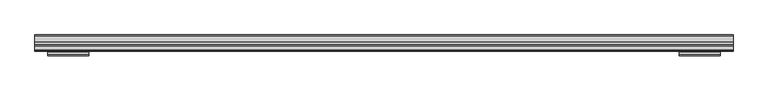
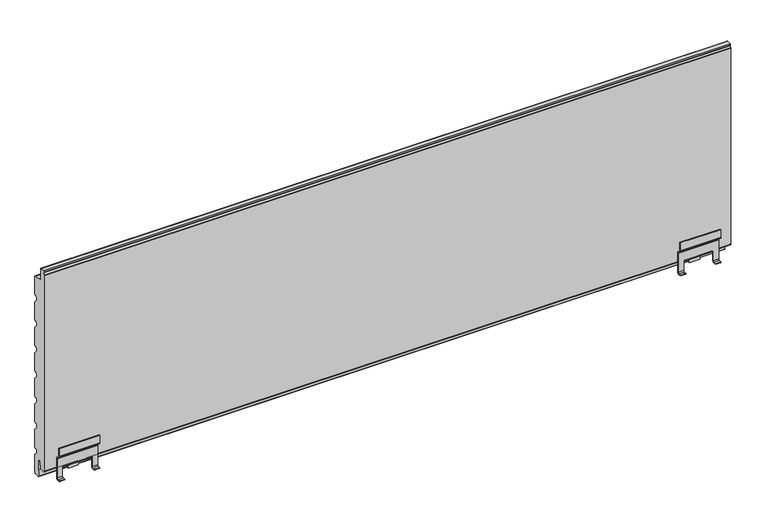
"""IFC4 building model written with IfcOpenShell, lengths in millimetres: plate geometry."""

from ifc_helpers import new_model, si_unit, point, frame, frame_2d, origin, place, context, project, spatial, polyline, circle_curve, trimmed, segment, composite_curve, outline, extrude, source, transform, mapped, element, save
from ifc_brep_helpers import plane_surface, cylinder_surface, revolved_surface, advanced_brep


def plate_32ede88d(model_context):
    return source(origin(), model_context, "Body", "SolidModel", [
        advanced_brep(
        [(614.0, 133.5, 63.0774925), (614.0, 132.0, 63.0774925), (614.0, 132.0, 48.0759196), (614.0, 133.0251263, 45.6010459), (614.0, 137.9142136, 40.7119586), (614.0, 138.5, 39.2977451), (614.0, 138.5, 1.7962326), (614.0, 136.5, -0.2037674), (614.0, 132.0000052, -0.2037674), (614.0, 132.0000052, -1.7037674), (614.0, 136.5, -1.7037674), (614.0, 140.0, 1.7962326), (614.0, 140.0, 39.2977451), (614.0, 138.9748737, 41.7726188), (614.0, 134.0857864, 46.6617061), (614.0, 133.5, 48.0759196), (538.9999948, 133.5, 63.0774925), (538.9999948, 133.5, 48.0759196), (538.9999948, 134.0857864, 46.6617061), (538.9999948, 138.9748737, 41.7726188), (538.9999948, 140.0, 39.2977451), (538.9999948, 140.0, 1.7962326), (538.9999948, 136.5, -1.7037674), (538.9999948, 132.0000052, -1.7037674), (538.9999948, 132.0000052, -0.2037674), (538.9999948, 136.5, -0.2037674), (538.9999948, 138.5, 1.7962326), (538.9999948, 138.5, 39.2977451), (538.9999948, 137.9142136, 40.7119586), (538.9999948, 133.0251263, 45.6010459), (538.9999948, 132.0, 48.0759196), (538.9999948, 132.0, 63.0774925), (548.9999948, 138.5, 1.7962326), (548.9999948, 138.5, 21.4957532), (550.4999948, 138.5, 21.4957532), (602.4999948, 138.5, 21.5007983), (603.9999948, 138.5, 21.4957532), (603.9999948, 138.5, 1.7962326), (603.9999948, 136.5, -0.2037674), (548.9999948, 136.5, -0.2037674), (603.9999948, 132.0000052, -0.2037674), (548.9999948, 132.0000052, -0.2037674), (603.9999948, 132.0000052, -1.7037674), (548.9999948, 132.0000052, -1.7037674), (603.9999948, 136.5, -1.7037674), (548.9999948, 136.5, -1.7037674), (603.9999948, 140.0, 1.7962326), (548.9999948, 140.0, 1.7962326), (603.9999948, 140.0, 21.4957532), (602.4999948, 140.0, 21.4957532), (550.4999948, 140.0, 21.5007983), (548.9999948, 140.0, 21.4957532), (602.4999948, 142.0, 19.5007983), (602.4999948, 139.9736841, 18.6470212), (602.4999948, 142.0, 18.0007983), (602.4999948, 150.5069508, 18.0007983), (602.4999948, 152.2536916, 18.4678301), (602.4999948, 153.9952504, 21.1957532), (602.4999948, 155.2506896, 31.8246532), (602.4999948, 153.7617614, 32.0007983), (602.4999948, 152.4938373, 21.2661979), (602.4999948, 150.5076443, 19.5007983), (550.4999948, 142.0, 19.5007983), (550.4999948, 150.5076443, 19.5007983), (550.4999948, 152.4938373, 21.2661979), (550.4999948, 153.7617614, 32.0007983), (550.4999948, 155.2506896, 31.8246532), (550.4999948, 153.9952504, 21.1957532), (550.4999948, 152.2536916, 18.4678301), (550.4999948, 150.5069508, 18.0007983), (550.4999948, 147.9501547, 18.0007983), (550.4999948, 142.0, 18.0007983), (550.4999948, 140.0, 18.628517), (566.9999948, 150.5069508, 18.0007983), (585.9999948, 150.5069508, 18.0007983), (566.9999948, 152.2536916, 18.4678301), (585.9999948, 152.2536916, 18.4678301), (585.9999948, 151.2000052, 3.0007983), (566.9999948, 151.2000052, 3.0007983), (585.9999948, 152.6965553, 2.8991234), (566.9999948, 152.6965553, 2.8991234), (585.9999948, 153.9952504, 21.1957532), (566.9999948, 153.9952504, 21.1957532), (566.9999948, 155.2506896, 31.8246532), (585.9999948, 155.2506896, 31.8246532)],
        [
            (0, 1),
            (1, 2),
            (2, 3, circle_curve(frame((614.0, 135.5, 48.0759196), z_axis=(1.0, 0.0, 0.0), x_axis=(0.0, 1.0, 0.0)), 3.5)),
            (3, 4),
            (4, 5, circle_curve(frame((614.0, 136.5, 39.2977451), z_axis=(-1.0, 0.0, 0.0), x_axis=(0.0, 1.0, 0.0)), 2.0)),
            (5, 6),
            (6, 7, circle_curve(frame((614.0, 136.5, 1.7962326), z_axis=(-1.0, 0.0, 0.0), x_axis=(0.0, 1.0, 0.0)), 2.0)),
            (7, 8),
            (8, 9),
            (9, 10),
            (10, 11, circle_curve(frame((614.0, 136.5, 1.7962326), z_axis=(1.0, 0.0, 0.0), x_axis=(0.0, 1.0, 0.0)), 3.5)),
            (11, 12),
            (12, 13, circle_curve(frame((614.0, 136.5, 39.2977451), z_axis=(1.0, 0.0, 0.0), x_axis=(0.0, 1.0, 0.0)), 3.5)),
            (13, 14),
            (14, 15, circle_curve(frame((614.0, 135.5, 48.0759196), z_axis=(-1.0, 0.0, 0.0), x_axis=(0.0, 1.0, 0.0)), 2.0)),
            (15, 0),
            (16, 17),
            (17, 18, circle_curve(frame((538.9999948, 135.5, 48.0759196), z_axis=(1.0, 0.0, 0.0), x_axis=(0.0, 1.0, 0.0)), 2.0)),
            (18, 19),
            (19, 20, circle_curve(frame((538.9999948, 136.5, 39.2977451), z_axis=(-1.0, 0.0, 0.0), x_axis=(0.0, 1.0, 0.0)), 3.5)),
            (20, 21),
            (21, 22, circle_curve(frame((538.9999948, 136.5, 1.7962326), z_axis=(-1.0, 0.0, 0.0), x_axis=(0.0, 1.0, 0.0)), 3.5)),
            (22, 23),
            (23, 24),
            (24, 25),
            (25, 26, circle_curve(frame((538.9999948, 136.5, 1.7962326), z_axis=(1.0, 0.0, 0.0), x_axis=(0.0, 1.0, 0.0)), 2.0)),
            (26, 27),
            (27, 28, circle_curve(frame((538.9999948, 136.5, 39.2977451), z_axis=(1.0, 0.0, 0.0), x_axis=(0.0, 1.0, 0.0)), 2.0)),
            (28, 29),
            (29, 30, circle_curve(frame((538.9999948, 135.5, 48.0759196), z_axis=(-1.0, 0.0, 0.0), x_axis=(0.0, 1.0, 0.0)), 3.5)),
            (30, 31),
            (31, 16),
            (0, 16),
            (31, 1),
            (30, 2),
            (29, 3),
            (28, 4),
            (27, 5),
            (26, 32),
            (32, 33),
            (33, 34),
            (34, 35),
            (35, 36),
            (36, 37),
            (37, 6),
            (37, 38, circle_curve(frame((603.9999948, 136.5, 1.7962326), z_axis=(-1.0, 0.0, 0.0), x_axis=(0.0, 1.0, 0.0)), 2.0)),
            (38, 7),
            (25, 39),
            (39, 32, circle_curve(frame((548.9999948, 136.5, 1.7962326), z_axis=(1.0, 0.0, 0.0), x_axis=(0.0, 1.0, 0.0)), 2.0)),
            (38, 40),
            (40, 8),
            (24, 41),
            (41, 39),
            (40, 42),
            (42, 9),
            (23, 43),
            (43, 41),
            (42, 44),
            (44, 10),
            (22, 45),
            (45, 43),
            (44, 46, circle_curve(frame((603.9999948, 136.5, 1.7962326), z_axis=(1.0, 0.0, 0.0), x_axis=(0.0, 1.0, 0.0)), 3.5)),
            (46, 11),
            (21, 47),
            (47, 45, circle_curve(frame((548.9999948, 136.5, 1.7962326), z_axis=(-1.0, 0.0, 0.0), x_axis=(0.0, 1.0, 0.0)), 3.5)),
            (46, 48),
            (48, 49),
            (49, 50),
            (50, 51),
            (51, 47),
            (20, 12),
            (19, 13),
            (18, 14),
            (17, 15),
            (36, 48),
            (51, 33),
            (35, 49),
            (50, 34),
            (52, 49, circle_curve(frame((602.4999948, 142.0, 21.5007983), z_axis=(-1.0, 0.0, 0.0), x_axis=(0.0, 1.0, 0.0)), 2.0)),
            (35, 53, circle_curve(frame((602.4999948, 142.0, 21.5007983), z_axis=(1.0, 0.0, 0.0), x_axis=(0.0, 1.0, 0.0)), 3.5)),
            (53, 54, circle_curve(frame((602.4999948, 142.0, 21.5007983), z_axis=(1.0, 0.0, 0.0), x_axis=(0.0, 1.0, 0.0)), 3.5)),
            (54, 55),
            (55, 56, circle_curve(frame((602.4999948, 150.5069508, 21.5007983), z_axis=(1.0, 0.0, 0.0), x_axis=(0.0, 1.0, 0.0)), 3.5)),
            (56, 57, circle_curve(frame((602.4999948, 150.502195, 21.5059032), z_axis=(1.0, 0.0, 0.0), x_axis=(0.0, 1.0, 0.0)), 3.5067975)),
            (57, 58),
            (58, 59),
            (59, 60),
            (60, 61, circle_curve(frame((602.4999948, 150.5076443, 21.5007983), z_axis=(-1.0, 0.0, 0.0), x_axis=(0.0, 1.0, 0.0)), 2.0)),
            (61, 52),
            (62, 63),
            (63, 64, circle_curve(frame((550.4999948, 150.5076443, 21.5007983), z_axis=(1.0, 0.0, 0.0), x_axis=(0.0, 1.0, 0.0)), 2.0)),
            (64, 65),
            (65, 66),
            (66, 67),
            (67, 68, circle_curve(frame((550.4999948, 150.502195, 21.5059032), z_axis=(-1.0, 0.0, 0.0), x_axis=(0.0, 1.0, 0.0)), 3.5067975)),
            (68, 69, circle_curve(frame((550.4999948, 150.5069508, 21.5007983), z_axis=(-1.0, 0.0, 0.0), x_axis=(0.0, 1.0, 0.0)), 3.5)),
            (69, 70),
            (70, 71),
            (71, 72, circle_curve(frame((550.4999948, 142.0, 21.5007983), z_axis=(-1.0, 0.0, 0.0), x_axis=(0.0, 1.0, 0.0)), 3.5)),
            (72, 34, circle_curve(frame((550.4999948, 142.0, 21.5007983), z_axis=(-1.0, 0.0, 0.0), x_axis=(0.0, 1.0, 0.0)), 3.5)),
            (50, 62, circle_curve(frame((550.4999948, 142.0, 21.5007983), z_axis=(1.0, 0.0, 0.0), x_axis=(0.0, 1.0, 0.0)), 2.0)),
            (52, 62),
            (72, 53),
            (71, 54),
            (69, 73),
            (73, 74),
            (74, 55),
            (68, 75),
            (75, 76),
            (76, 56),
            (77, 76),
            (75, 78),
            (78, 77),
            (79, 77),
            (78, 80),
            (80, 79),
            (81, 79),
            (80, 82),
            (82, 81),
            (57, 81),
            (82, 67),
            (66, 83),
            (83, 84),
            (84, 58),
            (65, 59),
            (64, 60),
            (63, 61),
            (81, 76, circle_curve(frame((585.9999948, 150.502195, 21.5059032), z_axis=(-1.0, 0.0, 0.0), x_axis=(0.0, 1.0, 0.0)), 3.5067975)),
            (75, 82, circle_curve(frame((566.9999948, 150.502195, 21.5059032), z_axis=(1.0, 0.0, 0.0), x_axis=(0.0, 1.0, 0.0)), 3.5067975)),
        ],
        [
            plane_surface(frame((614.0, 132.0, 63.7916669), z_axis=(1.0, 0.0, 0.0), x_axis=(0.0, 1.0, 0.0))),
            plane_surface(frame((538.9999948, 132.0, 63.7916669), z_axis=(-1.0, 0.0, 0.0), x_axis=(0.0, 1.0, 0.0))),
            plane_surface(frame((614.0, 133.5, 63.0774925), z_axis=(0.0, 0.0, 1.0), x_axis=(-1.0, 0.0, 0.0))),
            plane_surface(frame((614.0, 132.0, 63.0774925), z_axis=(0.0, -1.0, 0.0), x_axis=(-1.0, 0.0, 0.0))),
            cylinder_surface(frame((614.0, 135.5, 48.0759196), z_axis=(1.0, 0.0, 0.0), x_axis=(0.0, 1.0, 0.0)), 3.5),
            plane_surface(frame((614.0, 133.0251263, 45.6010459), z_axis=(0.0, -0.7071067811823375, -0.7071067811907575), x_axis=(-1.0, 0.0, 0.0))),
            revolved_surface(polyline([(538.9999948, 138.5, 39.2977451), (614.0, 138.5, 39.2977451)]), (614.0, 136.5, 39.2977451), (-1.0, 0.0, 0.0)),
            plane_surface(frame((614.0, 138.5, 39.2977451), z_axis=(0.0, -1.0, 0.0), x_axis=(-1.0, 0.0, 0.0))),
            revolved_surface(polyline([(603.9999948, 138.5, 1.7962326), (614.0, 138.5, 1.7962326)]), (614.0, 136.5, 1.7962326), (-1.0, 0.0, 0.0)),
            revolved_surface(polyline([(538.9999948, 138.5, 1.7962326), (548.9999948, 138.5, 1.7962326)]), (614.0, 136.5, 1.7962326), (-1.0, 0.0, 0.0)),
            plane_surface(frame((614.0, 136.5, -0.2037674), z_axis=(0.0, 0.0, 1.0), x_axis=(-1.0, 0.0, 0.0))),
            plane_surface(frame((614.0, 132.0000052, -0.2037674), z_axis=(0.0, -1.0, 0.0), x_axis=(-1.0, 0.0, 0.0))),
            plane_surface(frame((614.0, 132.0000052, -1.7037674), z_axis=(0.0, 0.0, -1.0), x_axis=(-1.0, 0.0, 0.0))),
            cylinder_surface(frame((614.0, 136.5, 1.7962326), z_axis=(1.0, 0.0, 0.0), x_axis=(0.0, 1.0, 0.0)), 3.5),
            plane_surface(frame((614.0, 140.0, 1.7962326), z_axis=(0.0, 1.0, 0.0), x_axis=(-1.0, 0.0, 0.0))),
            cylinder_surface(frame((614.0, 136.5, 39.2977451), z_axis=(1.0, 0.0, 0.0), x_axis=(0.0, 1.0, 0.0)), 3.5),
            plane_surface(frame((614.0, 138.9748737, 41.7726188), z_axis=(0.0, 0.707106781190757, 0.707106781182338), x_axis=(-1.0, 0.0, 0.0))),
            revolved_surface(polyline([(538.9999948, 137.5, 48.0759196), (614.0, 137.5, 48.0759196)]), (614.0, 135.5, 48.0759196), (-1.0, 0.0, 0.0)),
            plane_surface(frame((614.0, 133.5, 48.0759196), z_axis=(0.0, 1.0, 0.0), x_axis=(-1.0, 0.0, 0.0))),
            plane_surface(frame((603.9999948, 140.0, 21.4957532), z_axis=(-1.0, 0.0, 0.0), x_axis=(0.0, -1.0, 0.0))),
            plane_surface(frame((548.9999948, 140.0, -2.7083331), z_axis=(1.0, 0.0, 0.0), x_axis=(0.0, -1.0, 0.0))),
            plane_surface(frame((548.9999948, 140.0, 21.4957532), z_axis=(0.0, 0.0, -1.0), x_axis=(0.0, -1.0, 0.0))),
            plane_surface(frame((602.4999948, 132.0, 32.4962326), z_axis=(1.0, 0.0, 0.0), x_axis=(0.0, 1.0, 0.0))),
            plane_surface(frame((550.4999948, 132.0, 32.4962326), z_axis=(-1.0, 0.0, 0.0), x_axis=(0.0, 1.0, 0.0))),
            revolved_surface(polyline([(550.4999948, 144.0, 21.5007983), (602.4999948, 144.0, 21.5007983)]), (602.4999948, 142.0, 21.5007983), (-1.0, 0.0, 0.0)),
            cylinder_surface(frame((602.4999948, 142.0, 21.5007983), z_axis=(1.0, 0.0, 0.0), x_axis=(0.0, 1.0, 0.0)), 3.5),
            plane_surface(frame((602.4999948, 142.0, 18.0007983), z_axis=(0.0, 0.0, -1.0), x_axis=(-1.0, 0.0, 0.0))),
            cylinder_surface(frame((602.4999948, 150.5069508, 21.5007983), z_axis=(1.0, 0.0, 0.0), x_axis=(0.0, 1.0, 0.0)), 3.5),
            plane_surface(frame((602.4999948, 152.2536916, 18.4678301), z_axis=(0.0, -0.9976875606869263, 0.06796713360566971), x_axis=(-1.0, 0.0, 0.0))),
            plane_surface(frame((602.4999948, 151.2000052, 3.0007983), z_axis=(0.0, -0.06778329456574599, -0.9977000676444867), x_axis=(-1.0, 0.0, 0.0))),
            plane_surface(frame((602.4999948, 152.6965553, 2.8991234), z_axis=(0.0, 0.9974903975436773, -0.07080188421332127), x_axis=(-1.0, 0.0, 0.0))),
            plane_surface(frame((602.4999948, 154.500471, 25.4730922), z_axis=(0.0, 0.9930964999268389, -0.11730022094208546), x_axis=(-1.0, 0.0, 0.0))),
            plane_surface(frame((602.4999948, 155.2506896, 31.8246532), z_axis=(0.0, 0.11748400802588121, 0.9930747745553579), x_axis=(-1.0, 0.0, 0.0))),
            plane_surface(frame((602.4999948, 153.7617614, 32.0007983), z_axis=(0.0, -0.9930964999255651, 0.1173002209528698), x_axis=(-1.0, 0.0, 0.0))),
            revolved_surface(polyline([(550.4999948, 152.5076443, 21.5007983), (602.4999948, 152.5076443, 21.5007983)]), (602.4999948, 150.5076443, 21.5007983), (-1.0, 0.0, 0.0)),
            plane_surface(frame((602.4999948, 150.5076443, 19.5007983), z_axis=(0.0, 0.0, 1.0), x_axis=(-1.0, 0.0, 0.0))),
            plane_surface(frame((585.9999948, 154.0089925, 21.5059032), z_axis=(1.0, 0.0, 0.0), x_axis=(0.0, 0.0, 1.0))),
            cylinder_surface(frame((602.4999948, 150.502195, 21.5059032), z_axis=(1.0, 0.0, 0.0), x_axis=(0.0, 1.0, 0.0)), 3.5067975),
            plane_surface(frame((566.9999948, 154.0089925, 21.5059032), z_axis=(-1.0, 0.0, 0.0), x_axis=(0.0, 0.0, -1.0))),
            cylinder_surface(frame((566.9999948, 150.502195, 21.5059032), z_axis=(1.0, 0.0, 0.0), x_axis=(0.0, 1.0, 0.0)), 3.5067975),
        ],
        [
            (0, [[1, 2, 3, 4, 5, 6, 7, 8, 9, 10, 11, 12, 13, 14, 15, 16]]),
            (1, [[17, 18, 19, 20, 21, 22, 23, 24, 25, 26, 27, 28, 29, 30, 31, 32]]),
            (2, [[-1, 33, -32, 34]]),
            (3, [[-2, -34, -31, 35]]),
            (4, [[-3, -35, -30, 36]]),
            (5, [[-4, -36, -29, 37]]),
            (6, [[-5, -37, -28, 38]]),
            (7, [[-6, -38, -27, 39, 40, 41, 42, 43, 44, 45]]),
            (8, [[-7, -45, 46, 47]]),
            (9, [[-26, 48, 49, -39]]),
            (10, [[-8, -47, 50, 51]]),
            (10, [[-25, 52, 53, -48]]),
            (11, [[-9, -51, 54, 55]]),
            (11, [[-24, 56, 57, -52]]),
            (12, [[-10, -55, 58, 59]]),
            (12, [[-23, 60, 61, -56]]),
            (13, [[-11, -59, 62, 63]]),
            (13, [[-22, 64, 65, -60]]),
            (14, [[-12, -63, 66, 67, 68, 69, 70, -64, -21, 71]]),
            (15, [[-13, -71, -20, 72]]),
            (16, [[-14, -72, -19, 73]]),
            (17, [[-15, -73, -18, 74]]),
            (18, [[-16, -74, -17, -33]]),
            (19, [[75, -66, -62, -58, -54, -50, -46, -44]]),
            (20, [[76, -40, -49, -53, -57, -61, -65, -70]]),
            (21, [[-75, -43, 77, -67]]),
            (21, [[-76, -69, 78, -41]]),
            (22, [[79, -77, 80, 81, 82, 83, 84, 85, 86, 87, 88, 89]]),
            (23, [[90, 91, 92, 93, 94, 95, 96, 97, 98, 99, 100, -78, 101]]),
            (24, [[-79, 102, -101, -68]]),
            (25, [[-80, -42, -100, 103]]),
            (25, [[-81, -103, -99, 104]]),
            (26, [[-82, -104, -98, -97, 105, 106, 107]]),
            (27, [[-83, -107, -106, -105, -96, 108, 109, 110]]),
            (28, [[111, -109, 112, 113]]),
            (29, [[114, -113, 115, 116]]),
            (30, [[117, -116, 118, 119]]),
            (31, [[-85, 120, -119, 121, -94, 122, 123, 124]]),
            (32, [[-86, -124, -123, -122, -93, 125]]),
            (33, [[-87, -125, -92, 126]]),
            (34, [[-88, -126, -91, 127]]),
            (35, [[-89, -127, -90, -102]]),
            (36, [[128, -111, -114, -117]]),
            (37, [[-128, -120, -84, -110]]),
            (38, [[129, -118, -115, -112]]),
            (39, [[-129, -108, -95, -121]]),
        ],
    ),
        advanced_brep(
        [(-614.0, 133.5, 63.0774925), (-614.0, 133.5, 48.0759196), (-614.0, 134.0857864, 46.6617061), (-614.0, 138.9748737, 41.7726188), (-614.0, 140.0, 39.2977451), (-614.0, 140.0, 1.7962326), (-614.0, 136.5, -1.7037674), (-614.0, 132.0000052, -1.7037674), (-614.0, 132.0000052, -0.2037674), (-614.0, 136.5, -0.2037674), (-614.0, 138.5, 1.7962326), (-614.0, 138.5, 39.2977451), (-614.0, 137.9142136, 40.7119586), (-614.0, 133.0251263, 45.6010459), (-614.0, 132.0, 48.0759196), (-614.0, 132.0, 63.0774925), (-538.9999948, 133.5, 63.0774925), (-538.9999948, 132.0, 63.0774925), (-538.9999948, 132.0, 48.0759196), (-538.9999948, 133.0251263, 45.6010459), (-538.9999948, 137.9142136, 40.7119586), (-538.9999948, 138.5, 39.2977451), (-538.9999948, 138.5, 1.7962326), (-538.9999948, 136.5, -0.2037674), (-538.9999948, 132.0000052, -0.2037674), (-538.9999948, 132.0000052, -1.7037674), (-538.9999948, 136.5, -1.7037674), (-538.9999948, 140.0, 1.7962326), (-538.9999948, 140.0, 39.2977451), (-538.9999948, 138.9748737, 41.7726188), (-538.9999948, 134.0857864, 46.6617061), (-538.9999948, 133.5, 48.0759196), (-603.9999948, 138.5, 1.7962326), (-603.9999948, 138.5, 21.4957532), (-602.4999948, 138.5, 21.4957532), (-550.4999948, 138.5, 21.5007983), (-548.9999948, 138.5, 21.4957532), (-548.9999948, 138.5, 1.7962326), (-548.9999948, 136.5, -0.2037674), (-603.9999948, 136.5, -0.2037674), (-548.9999948, 132.0000052, -0.2037674), (-603.9999948, 132.0000052, -0.2037674), (-548.9999948, 132.0000052, -1.7037674), (-603.9999948, 132.0000052, -1.7037674), (-548.9999948, 136.5, -1.7037674), (-603.9999948, 136.5, -1.7037674), (-548.9999948, 140.0, 1.7962326), (-603.9999948, 140.0, 1.7962326), (-548.9999948, 140.0, 21.4957532), (-550.4999948, 140.0, 21.4957532), (-602.4999948, 140.0, 21.5007983), (-603.9999948, 140.0, 21.4957532), (-602.4999948, 142.0, 19.5007983), (-602.4999948, 150.5076443, 19.5007983), (-602.4999948, 152.4938373, 21.2661979), (-602.4999948, 153.7617614, 32.0007983), (-602.4999948, 155.2506896, 31.8246532), (-602.4999948, 153.9952504, 21.1957532), (-602.4999948, 152.2536916, 18.4678301), (-602.4999948, 150.5069508, 18.0007983), (-602.4999948, 142.0, 18.0007983), (-602.4999948, 140.0, 18.628517), (-550.4999948, 142.0, 19.5007983), (-550.4999948, 139.9736841, 18.6470212), (-550.4999948, 142.0, 18.0007983), (-550.4999948, 147.9501547, 18.0007983), (-550.4999948, 150.5069508, 18.0007983), (-550.4999948, 152.2536916, 18.4678301), (-550.4999948, 153.9952504, 21.1957532), (-550.4999948, 155.2506896, 31.8246532), (-550.4999948, 153.7617614, 32.0007983), (-550.4999948, 152.4938373, 21.2661979), (-550.4999948, 150.5076443, 19.5007983), (-585.9999948, 150.5069508, 18.0007983), (-566.9999948, 150.5069508, 18.0007983), (-585.9999948, 152.2536916, 18.4678301), (-566.9999948, 152.2536916, 18.4678301), (-585.9999948, 151.2000052, 3.0007983), (-566.9999948, 151.2000052, 3.0007983), (-585.9999948, 152.6965553, 2.8991234), (-566.9999948, 152.6965553, 2.8991234), (-585.9999948, 153.9952504, 21.1957532), (-566.9999948, 153.9952504, 21.1957532), (-585.9999948, 155.2506896, 31.8246532), (-566.9999948, 155.2506896, 31.8246532)],
        [
            (0, 1),
            (1, 2, circle_curve(frame((-614.0, 135.5, 48.0759196), z_axis=(1.0, 0.0, 0.0), x_axis=(0.0, 1.0, 0.0)), 2.0)),
            (2, 3),
            (3, 4, circle_curve(frame((-614.0, 136.5, 39.2977451), z_axis=(-1.0, 0.0, 0.0), x_axis=(0.0, 1.0, 0.0)), 3.5)),
            (4, 5),
            (5, 6, circle_curve(frame((-614.0, 136.5, 1.7962326), z_axis=(-1.0, 0.0, 0.0), x_axis=(0.0, 1.0, 0.0)), 3.5)),
            (6, 7),
            (7, 8),
            (8, 9),
            (9, 10, circle_curve(frame((-614.0, 136.5, 1.7962326), z_axis=(1.0, 0.0, 0.0), x_axis=(0.0, 1.0, 0.0)), 2.0)),
            (10, 11),
            (11, 12, circle_curve(frame((-614.0, 136.5, 39.2977451), z_axis=(1.0, 0.0, 0.0), x_axis=(0.0, 1.0, 0.0)), 2.0)),
            (12, 13),
            (13, 14, circle_curve(frame((-614.0, 135.5, 48.0759196), z_axis=(-1.0, 0.0, 0.0), x_axis=(0.0, 1.0, 0.0)), 3.5)),
            (14, 15),
            (15, 0),
            (16, 17),
            (17, 18),
            (18, 19, circle_curve(frame((-538.9999948, 135.5, 48.0759196), z_axis=(1.0, 0.0, 0.0), x_axis=(0.0, 1.0, 0.0)), 3.5)),
            (19, 20),
            (20, 21, circle_curve(frame((-538.9999948, 136.5, 39.2977451), z_axis=(-1.0, 0.0, 0.0), x_axis=(0.0, 1.0, 0.0)), 2.0)),
            (21, 22),
            (22, 23, circle_curve(frame((-538.9999948, 136.5, 1.7962326), z_axis=(-1.0, 0.0, 0.0), x_axis=(0.0, 1.0, 0.0)), 2.0)),
            (23, 24),
            (24, 25),
            (25, 26),
            (26, 27, circle_curve(frame((-538.9999948, 136.5, 1.7962326), z_axis=(1.0, 0.0, 0.0), x_axis=(0.0, 1.0, 0.0)), 3.5)),
            (27, 28),
            (28, 29, circle_curve(frame((-538.9999948, 136.5, 39.2977451), z_axis=(1.0, 0.0, 0.0), x_axis=(0.0, 1.0, 0.0)), 3.5)),
            (29, 30),
            (30, 31, circle_curve(frame((-538.9999948, 135.5, 48.0759196), z_axis=(-1.0, 0.0, 0.0), x_axis=(0.0, 1.0, 0.0)), 2.0)),
            (31, 16),
            (15, 17),
            (16, 0),
            (14, 18),
            (13, 19),
            (12, 20),
            (11, 21),
            (10, 32),
            (32, 33),
            (33, 34),
            (34, 35),
            (35, 36),
            (36, 37),
            (37, 22),
            (37, 38, circle_curve(frame((-548.9999948, 136.5, 1.7962326), z_axis=(-1.0, 0.0, 0.0), x_axis=(0.0, 1.0, 0.0)), 2.0)),
            (38, 23),
            (9, 39),
            (39, 32, circle_curve(frame((-603.9999948, 136.5, 1.7962326), z_axis=(1.0, 0.0, 0.0), x_axis=(0.0, 1.0, 0.0)), 2.0)),
            (38, 40),
            (40, 24),
            (8, 41),
            (41, 39),
            (40, 42),
            (42, 25),
            (7, 43),
            (43, 41),
            (42, 44),
            (44, 26),
            (6, 45),
            (45, 43),
            (44, 46, circle_curve(frame((-548.9999948, 136.5, 1.7962326), z_axis=(1.0, 0.0, 0.0), x_axis=(0.0, 1.0, 0.0)), 3.5)),
            (46, 27),
            (5, 47),
            (47, 45, circle_curve(frame((-603.9999948, 136.5, 1.7962326), z_axis=(-1.0, 0.0, 0.0), x_axis=(0.0, 1.0, 0.0)), 3.5)),
            (4, 28),
            (46, 48),
            (48, 49),
            (49, 50),
            (50, 51),
            (51, 47),
            (3, 29),
            (2, 30),
            (1, 31),
            (51, 33),
            (36, 48),
            (35, 49),
            (50, 34),
            (52, 53),
            (53, 54, circle_curve(frame((-602.4999948, 150.5076443, 21.5007983), z_axis=(1.0, 0.0, 0.0), x_axis=(0.0, 1.0, 0.0)), 2.0)),
            (54, 55),
            (55, 56),
            (56, 57),
            (57, 58, circle_curve(frame((-602.4999948, 150.502195, 21.5059032), z_axis=(-1.0, 0.0, 0.0), x_axis=(0.0, 1.0, 0.0)), 3.5067975)),
            (58, 59, circle_curve(frame((-602.4999948, 150.5069508, 21.5007983), z_axis=(-1.0, 0.0, 0.0), x_axis=(0.0, 1.0, 0.0)), 3.5)),
            (59, 60),
            (60, 61, circle_curve(frame((-602.4999948, 142.0, 21.5007983), z_axis=(-1.0, 0.0, 0.0), x_axis=(0.0, 1.0, 0.0)), 3.5)),
            (61, 34, circle_curve(frame((-602.4999948, 142.0, 21.5007983), z_axis=(-1.0, 0.0, 0.0), x_axis=(0.0, 1.0, 0.0)), 3.5)),
            (50, 52, circle_curve(frame((-602.4999948, 142.0, 21.5007983), z_axis=(1.0, 0.0, 0.0), x_axis=(0.0, 1.0, 0.0)), 2.0)),
            (62, 49, circle_curve(frame((-550.4999948, 142.0, 21.5007983), z_axis=(-1.0, 0.0, 0.0), x_axis=(0.0, 1.0, 0.0)), 2.0)),
            (35, 63, circle_curve(frame((-550.4999948, 142.0, 21.5007983), z_axis=(1.0, 0.0, 0.0), x_axis=(0.0, 1.0, 0.0)), 3.5)),
            (63, 64, circle_curve(frame((-550.4999948, 142.0, 21.5007983), z_axis=(1.0, 0.0, 0.0), x_axis=(0.0, 1.0, 0.0)), 3.5)),
            (64, 65),
            (65, 66),
            (66, 67, circle_curve(frame((-550.4999948, 150.5069508, 21.5007983), z_axis=(1.0, 0.0, 0.0), x_axis=(0.0, 1.0, 0.0)), 3.5)),
            (67, 68, circle_curve(frame((-550.4999948, 150.502195, 21.5059032), z_axis=(1.0, 0.0, 0.0), x_axis=(0.0, 1.0, 0.0)), 3.5067975)),
            (68, 69),
            (69, 70),
            (70, 71),
            (71, 72, circle_curve(frame((-550.4999948, 150.5076443, 21.5007983), z_axis=(-1.0, 0.0, 0.0), x_axis=(0.0, 1.0, 0.0)), 2.0)),
            (72, 62),
            (62, 52),
            (61, 63),
            (60, 64),
            (59, 73),
            (73, 74),
            (74, 66),
            (58, 75),
            (75, 76),
            (76, 67),
            (77, 78),
            (78, 76),
            (75, 77),
            (79, 80),
            (80, 78),
            (77, 79),
            (81, 82),
            (82, 80),
            (79, 81),
            (56, 83),
            (83, 84),
            (84, 69),
            (68, 82),
            (81, 57),
            (55, 70),
            (54, 71),
            (53, 72),
            (75, 81, circle_curve(frame((-585.9999948, 150.502195, 21.5059032), z_axis=(1.0, 0.0, 0.0), x_axis=(0.0, 1.0, 0.0)), 3.5067975)),
            (82, 76, circle_curve(frame((-566.9999948, 150.502195, 21.5059032), z_axis=(-1.0, 0.0, 0.0), x_axis=(0.0, 1.0, 0.0)), 3.5067975)),
        ],
        [
            plane_surface(frame((-614.0, 132.0, 63.7916669), z_axis=(-1.0, 0.0, 0.0), x_axis=(0.0, 1.0, 0.0))),
            plane_surface(frame((-538.9999948, 132.0, 63.7916669), z_axis=(1.0, 0.0, 0.0), x_axis=(0.0, 1.0, 0.0))),
            plane_surface(frame((-614.0, 133.5, 63.0774925), z_axis=(0.0, 0.0, 1.0), x_axis=(1.0, 0.0, 0.0))),
            plane_surface(frame((-614.0, 132.0, 63.0774925), z_axis=(0.0, -1.0, 0.0), x_axis=(1.0, 0.0, 0.0))),
            cylinder_surface(frame((-614.0, 135.5, 48.0759196), z_axis=(-1.0, 0.0, 0.0), x_axis=(0.0, 1.0, 0.0)), 3.5),
            plane_surface(frame((-614.0, 133.0251263, 45.6010459), z_axis=(0.0, -0.7071067811823375, -0.7071067811907575), x_axis=(1.0, 0.0, 0.0))),
            revolved_surface(polyline([(-538.9999948, 138.5, 39.2977451), (-614.0, 138.5, 39.2977451)]), (-614.0, 136.5, 39.2977451), (1.0, 0.0, 0.0)),
            plane_surface(frame((-614.0, 138.5, 39.2977451), z_axis=(0.0, -1.0, 0.0), x_axis=(1.0, 0.0, 0.0))),
            revolved_surface(polyline([(-538.9999948, 138.5, 1.7962326), (-548.9999948, 138.5, 1.7962326)]), (-614.0, 136.5, 1.7962326), (1.0, 0.0, 0.0)),
            revolved_surface(polyline([(-603.9999948, 138.5, 1.7962326), (-614.0, 138.5, 1.7962326)]), (-614.0, 136.5, 1.7962326), (1.0, 0.0, 0.0)),
            plane_surface(frame((-614.0, 136.5, -0.2037674), z_axis=(0.0, 0.0, 1.0), x_axis=(1.0, 0.0, 0.0))),
            plane_surface(frame((-614.0, 132.0000052, -0.2037674), z_axis=(0.0, -1.0, 0.0), x_axis=(1.0, 0.0, 0.0))),
            plane_surface(frame((-614.0, 132.0000052, -1.7037674), z_axis=(0.0, 0.0, -1.0), x_axis=(1.0, 0.0, 0.0))),
            cylinder_surface(frame((-614.0, 136.5, 1.7962326), z_axis=(-1.0, 0.0, 0.0), x_axis=(0.0, 1.0, 0.0)), 3.5),
            plane_surface(frame((-614.0, 140.0, 1.7962326), z_axis=(0.0, 1.0, 0.0), x_axis=(1.0, 0.0, 0.0))),
            cylinder_surface(frame((-614.0, 136.5, 39.2977451), z_axis=(-1.0, 0.0, 0.0), x_axis=(0.0, 1.0, 0.0)), 3.5),
            plane_surface(frame((-614.0, 138.9748737, 41.7726188), z_axis=(0.0, 0.707106781190757, 0.707106781182338), x_axis=(1.0, 0.0, 0.0))),
            revolved_surface(polyline([(-538.9999948, 137.5, 48.0759196), (-614.0, 137.5, 48.0759196)]), (-614.0, 135.5, 48.0759196), (1.0, 0.0, 0.0)),
            plane_surface(frame((-614.0, 133.5, 48.0759196), z_axis=(0.0, 1.0, 0.0), x_axis=(1.0, 0.0, 0.0))),
            plane_surface(frame((-603.9999948, 140.0, 21.4957532), z_axis=(1.0, 0.0, 0.0), x_axis=(0.0, -1.0, 0.0))),
            plane_surface(frame((-548.9999948, 140.0, -2.7083331), z_axis=(-1.0, 0.0, 0.0), x_axis=(0.0, -1.0, 0.0))),
            plane_surface(frame((-548.9999948, 140.0, 21.4957532), z_axis=(0.0, 0.0, -1.0), x_axis=(0.0, -1.0, 0.0))),
            plane_surface(frame((-602.4999948, 132.0, 32.4962326), z_axis=(-1.0, 0.0, 0.0), x_axis=(0.0, 1.0, 0.0))),
            plane_surface(frame((-550.4999948, 132.0, 32.4962326), z_axis=(1.0, 0.0, 0.0), x_axis=(0.0, 1.0, 0.0))),
            revolved_surface(polyline([(-550.4999948, 144.0, 21.5007983), (-602.4999948, 144.0, 21.5007983)]), (-602.4999948, 142.0, 21.5007983), (1.0, 0.0, 0.0)),
            cylinder_surface(frame((-602.4999948, 142.0, 21.5007983), z_axis=(-1.0, 0.0, 0.0), x_axis=(0.0, 1.0, 0.0)), 3.5),
            plane_surface(frame((-602.4999948, 142.0, 18.0007983), z_axis=(0.0, 0.0, -1.0), x_axis=(1.0, 0.0, 0.0))),
            cylinder_surface(frame((-602.4999948, 150.5069508, 21.5007983), z_axis=(-1.0, 0.0, 0.0), x_axis=(0.0, 1.0, 0.0)), 3.5),
            plane_surface(frame((-602.4999948, 152.2536916, 18.4678301), z_axis=(0.0, -0.9976875606869263, 0.06796713360566971), x_axis=(1.0, 0.0, 0.0))),
            plane_surface(frame((-602.4999948, 151.2000052, 3.0007983), z_axis=(0.0, -0.06778329456574599, -0.9977000676444867), x_axis=(1.0, 0.0, 0.0))),
            plane_surface(frame((-602.4999948, 152.6965553, 2.8991234), z_axis=(0.0, 0.9974903975436773, -0.07080188421332127), x_axis=(1.0, 0.0, 0.0))),
            plane_surface(frame((-602.4999948, 154.500471, 25.4730922), z_axis=(0.0, 0.9930964999268389, -0.11730022094208546), x_axis=(1.0, 0.0, 0.0))),
            plane_surface(frame((-602.4999948, 155.2506896, 31.8246532), z_axis=(0.0, 0.11748400802588121, 0.9930747745553579), x_axis=(1.0, 0.0, 0.0))),
            plane_surface(frame((-602.4999948, 153.7617614, 32.0007983), z_axis=(0.0, -0.9930964999255651, 0.1173002209528698), x_axis=(1.0, 0.0, 0.0))),
            revolved_surface(polyline([(-550.4999948, 152.5076443, 21.5007983), (-602.4999948, 152.5076443, 21.5007983)]), (-602.4999948, 150.5076443, 21.5007983), (1.0, 0.0, 0.0)),
            plane_surface(frame((-602.4999948, 150.5076443, 19.5007983), z_axis=(0.0, 0.0, 1.0), x_axis=(1.0, 0.0, 0.0))),
            plane_surface(frame((-585.9999948, 154.0089925, 21.5059032), z_axis=(-1.0, 0.0, 0.0), x_axis=(0.0, 0.0, 1.0))),
            cylinder_surface(frame((-602.4999948, 150.502195, 21.5059032), z_axis=(-1.0, 0.0, 0.0), x_axis=(0.0, 1.0, 0.0)), 3.5067975),
            plane_surface(frame((-566.9999948, 154.0089925, 21.5059032), z_axis=(1.0, 0.0, 0.0), x_axis=(0.0, 0.0, -1.0))),
            cylinder_surface(frame((-566.9999948, 150.502195, 21.5059032), z_axis=(-1.0, 0.0, 0.0), x_axis=(0.0, 1.0, 0.0)), 3.5067975),
        ],
        [
            (0, [[1, 2, 3, 4, 5, 6, 7, 8, 9, 10, 11, 12, 13, 14, 15, 16]]),
            (1, [[17, 18, 19, 20, 21, 22, 23, 24, 25, 26, 27, 28, 29, 30, 31, 32]]),
            (2, [[33, -17, 34, -16]]),
            (3, [[35, -18, -33, -15]]),
            (4, [[36, -19, -35, -14]]),
            (5, [[37, -20, -36, -13]]),
            (6, [[38, -21, -37, -12]]),
            (7, [[39, 40, 41, 42, 43, 44, 45, -22, -38, -11]]),
            (8, [[-45, 46, 47, -23]]),
            (9, [[48, 49, -39, -10]]),
            (10, [[-47, 50, 51, -24]]),
            (10, [[52, 53, -48, -9]]),
            (11, [[-51, 54, 55, -25]]),
            (11, [[56, 57, -52, -8]]),
            (12, [[-55, 58, 59, -26]]),
            (12, [[60, 61, -56, -7]]),
            (13, [[-59, 62, 63, -27]]),
            (13, [[64, 65, -60, -6]]),
            (14, [[66, -28, -63, 67, 68, 69, 70, 71, -64, -5]]),
            (15, [[72, -29, -66, -4]]),
            (16, [[73, -30, -72, -3]]),
            (17, [[74, -31, -73, -2]]),
            (18, [[-34, -32, -74, -1]]),
            (19, [[-40, -49, -53, -57, -61, -65, -71, 75]]),
            (20, [[-67, -62, -58, -54, -50, -46, -44, 76]]),
            (21, [[-43, 77, -68, -76]]),
            (21, [[-70, 78, -41, -75]]),
            (22, [[79, 80, 81, 82, 83, 84, 85, 86, 87, 88, -78, 89]]),
            (23, [[90, -77, 91, 92, 93, 94, 95, 96, 97, 98, 99, 100, 101]]),
            (24, [[-69, -90, 102, -89]]),
            (25, [[103, -91, -42, -88]]),
            (25, [[104, -92, -103, -87]]),
            (26, [[105, 106, 107, -94, -93, -104, -86]]),
            (27, [[108, 109, 110, -95, -107, -106, -105, -85]]),
            (28, [[111, 112, -109, 113]]),
            (29, [[114, 115, -111, 116]]),
            (30, [[117, 118, -114, 119]]),
            (31, [[120, 121, 122, -97, 123, -117, 124, -83]]),
            (32, [[125, -98, -122, -121, -120, -82]]),
            (33, [[126, -99, -125, -81]]),
            (34, [[127, -100, -126, -80]]),
            (35, [[-102, -101, -127, -79]]),
            (36, [[-119, -116, -113, 128]]),
            (37, [[-108, -84, -124, -128]]),
            (38, [[-112, -115, -118, 129]]),
            (39, [[-123, -96, -110, -129]]),
        ],
    ),
        extrude(outline(composite_curve([segment(polyline([(149.1833651, 20.0007983), (141.5000599, 20.0007983)]), True, "CONTINUOUS"), segment(trimmed(circle_curve(frame_2d((141.5000599, 21.5008582)), 1.5000599), [point((141.5000599, 20.0007983))], [point((140.0, 21.5008582))], False, "CARTESIAN"), True, "CONTINUOUS"), segment(polyline([(140.0, 21.5008582), (140.0, 406.0)]), True, "CONTINUOUS"), segment(trimmed(circle_curve(frame_2d((142.5, 406.0)), 2.5), [point((140.0, 406.0))], [point((140.1788083, 406.9284767))], False, "CARTESIAN"), True, "CONTINUOUS"), segment(polyline([(140.1788083, 406.9284767), (141.523966, 410.2913711)]), True, "CONTINUOUS"), segment(trimmed(circle_curve(frame_2d((139.2027743, 411.2198478)), 2.5), [point((141.523966, 410.2913711))], [point((141.7027743, 411.2198478))], True, "CARTESIAN"), True, "CONTINUOUS"), segment(polyline([(141.7027743, 411.2198478), (141.7027743, 414.0), (149.5, 414.0)]), True, "CONTINUOUS"), segment(trimmed(circle_curve(frame_2d((149.5, 411.5)), 2.5), [point((149.5, 414.0))], [point((152.0, 411.5))], False, "CARTESIAN"), True, "CONTINUOUS"), segment(polyline([(152.0, 411.5), (152.0, 394.070261)]), True, "CONTINUOUS"), segment(trimmed(circle_curve(frame_2d((157.0, 394.070261)), 5.0), [point((152.0, 394.070261))], [point((156.4561784, 389.0999232))], True, "CARTESIAN"), True, "CONTINUOUS"), segment(polyline([(156.4561784, 389.0999232), (167.7719108, 388.1900705)]), True, "CONTINUOUS"), segment(trimmed(circle_curve(frame_2d((167.5, 385.7049016)), 2.5), [point((167.7719108, 388.1900705))], [point((170.0, 385.7049016))], False, "CARTESIAN"), True, "CONTINUOUS"), segment(polyline([(170.0, 385.7049016), (170.0, 352.0)]), True, "CONTINUOUS"), segment(trimmed(circle_curve(frame_2d((168.0, 352.0)), 2.0), [point((170.0, 352.0))], [point((168.0, 350.0))], False, "CARTESIAN"), True, "CONTINUOUS"), segment(polyline([(168.0, 350.0), (166.0, 350.0)]), True, "CONTINUOUS"), segment(trimmed(circle_curve(frame_2d((166.0, 348.0)), 2.0), [point((166.0, 350.0))], [point((164.0, 348.0))], True, "CARTESIAN"), True, "CONTINUOUS"), segment(polyline([(164.0, 348.0), (164.0, 343.863961)]), True, "CONTINUOUS"), segment(trimmed(circle_curve(frame_2d((166.5, 343.863961)), 2.5), [point((164.0, 343.863961))], [point((164.732233, 342.0961941))], True, "CARTESIAN"), True, "CONTINUOUS"), segment(polyline([(164.732233, 342.0961941), (169.4142136, 337.4142136)]), True, "CONTINUOUS"), segment(trimmed(circle_curve(frame_2d((168.0, 336.0)), 2.0), [point((169.4142136, 337.4142136))], [point((170.0, 336.0))], False, "CARTESIAN"), True, "CONTINUOUS"), segment(polyline([(170.0, 336.0), (170.0, 302.0)]), True, "CONTINUOUS"), segment(trimmed(circle_curve(frame_2d((168.0, 302.0)), 2.0), [point((170.0, 302.0))], [point((168.0, 300.0))], False, "CARTESIAN"), True, "CONTINUOUS"), segment(polyline([(168.0, 300.0), (166.0, 300.0)]), True, "CONTINUOUS"), segment(trimmed(circle_curve(frame_2d((166.0, 298.0)), 2.0), [point((166.0, 300.0))], [point((164.0, 298.0))], True, "CARTESIAN"), True, "CONTINUOUS"), segment(polyline([(164.0, 298.0), (164.0, 293.863961)]), True, "CONTINUOUS"), segment(trimmed(circle_curve(frame_2d((166.5, 293.863961)), 2.5), [point((164.0, 293.863961))], [point((164.732233, 292.0961941))], True, "CARTESIAN"), True, "CONTINUOUS"), segment(polyline([(164.732233, 292.0961941), (169.4142136, 287.4142136)]), True, "CONTINUOUS"), segment(trimmed(circle_curve(frame_2d((168.0, 286.0)), 2.0), [point((169.4142136, 287.4142136))], [point((170.0, 286.0))], False, "CARTESIAN"), True, "CONTINUOUS"), segment(polyline([(170.0, 286.0), (170.0, 252.0)]), True, "CONTINUOUS"), segment(trimmed(circle_curve(frame_2d((168.0, 252.0)), 2.0), [point((170.0, 252.0))], [point((168.0, 250.0))], False, "CARTESIAN"), True, "CONTINUOUS"), segment(polyline([(168.0, 250.0), (166.0, 250.0)]), True, "CONTINUOUS"), segment(trimmed(circle_curve(frame_2d((166.0, 248.0)), 2.0), [point((166.0, 250.0))], [point((164.0, 248.0))], True, "CARTESIAN"), True, "CONTINUOUS"), segment(polyline([(164.0, 248.0), (164.0, 243.863961)]), True, "CONTINUOUS"), segment(trimmed(circle_curve(frame_2d((166.5, 243.863961)), 2.5), [point((164.0, 243.863961))], [point((164.732233, 242.0961941))], True, "CARTESIAN"), True, "CONTINUOUS"), segment(polyline([(164.732233, 242.0961941), (169.4142136, 237.4142136)]), True, "CONTINUOUS"), segment(trimmed(circle_curve(frame_2d((168.0, 236.0)), 2.0), [point((169.4142136, 237.4142136))], [point((170.0, 236.0))], False, "CARTESIAN"), True, "CONTINUOUS"), segment(polyline([(170.0, 236.0), (170.0, 202.0)]), True, "CONTINUOUS"), segment(trimmed(circle_curve(frame_2d((168.0, 202.0)), 2.0), [point((170.0, 202.0))], [point((168.0, 200.0))], False, "CARTESIAN"), True, "CONTINUOUS"), segment(polyline([(168.0, 200.0), (166.0, 200.0)]), True, "CONTINUOUS"), segment(trimmed(circle_curve(frame_2d((166.0, 198.0)), 2.0), [point((166.0, 200.0))], [point((164.0, 198.0))], True, "CARTESIAN"), True, "CONTINUOUS"), segment(polyline([(164.0, 198.0), (164.0, 193.863961)]), True, "CONTINUOUS"), segment(trimmed(circle_curve(frame_2d((166.5, 193.863961)), 2.5), [point((164.0, 193.863961))], [point((164.732233, 192.0961941))], True, "CARTESIAN"), True, "CONTINUOUS"), segment(polyline([(164.732233, 192.0961941), (169.4142136, 187.4142136)]), True, "CONTINUOUS"), segment(trimmed(circle_curve(frame_2d((168.0, 186.0)), 2.0), [point((169.4142136, 187.4142136))], [point((170.0, 186.0))], False, "CARTESIAN"), True, "CONTINUOUS"), segment(polyline([(170.0, 186.0), (170.0, 152.0008582)]), True, "CONTINUOUS"), segment(trimmed(circle_curve(frame_2d((168.0, 152.0008582)), 2.0), [point((170.0, 152.0008582))], [point((168.0, 150.0008582))], False, "CARTESIAN"), True, "CONTINUOUS"), segment(polyline([(168.0, 150.0008582), (166.0, 150.0008582)]), True, "CONTINUOUS"), segment(trimmed(circle_curve(frame_2d((166.0, 148.0008582)), 2.0), [point((166.0, 150.0008582))], [point((164.0, 148.0008582))], True, "CARTESIAN"), True, "CONTINUOUS"), segment(polyline([(164.0, 148.0008582), (164.0, 143.8648192)]), True, "CONTINUOUS"), segment(trimmed(circle_curve(frame_2d((166.5, 143.8648192)), 2.5), [point((164.0, 143.8648192))], [point((164.732233, 142.0970523))], True, "CARTESIAN"), True, "CONTINUOUS"), segment(polyline([(164.732233, 142.0970523), (169.4142136, 137.4150718)]), True, "CONTINUOUS"), segment(trimmed(circle_curve(frame_2d((168.0, 136.0008582)), 2.0), [point((169.4142136, 137.4150718))], [point((170.0, 136.0008582))], False, "CARTESIAN"), True, "CONTINUOUS"), segment(polyline([(170.0, 136.0008582), (170.0, 102.0008582)]), True, "CONTINUOUS"), segment(trimmed(circle_curve(frame_2d((168.0, 102.0008582)), 2.0), [point((170.0, 102.0008582))], [point((168.0, 100.0008582))], False, "CARTESIAN"), True, "CONTINUOUS"), segment(polyline([(168.0, 100.0008582), (166.0, 100.0008582)]), True, "CONTINUOUS"), segment(trimmed(circle_curve(frame_2d((166.0, 98.0008582)), 2.0), [point((166.0, 100.0008582))], [point((164.0, 98.0008582))], True, "CARTESIAN"), True, "CONTINUOUS"), segment(polyline([(164.0, 98.0008582), (164.0, 93.8648192)]), True, "CONTINUOUS"), segment(trimmed(circle_curve(frame_2d((166.5, 93.8648192)), 2.5), [point((164.0, 93.8648192))], [point((164.732233, 92.0970523))], True, "CARTESIAN"), True, "CONTINUOUS"), segment(polyline([(164.732233, 92.0970523), (169.4142136, 87.4150718)]), True, "CONTINUOUS"), segment(trimmed(circle_curve(frame_2d((168.0, 86.0008582)), 2.0), [point((169.4142136, 87.4150718))], [point((170.0, 86.0008582))], False, "CARTESIAN"), True, "CONTINUOUS"), segment(polyline([(170.0, 86.0008582), (170.0, 52.0008582)]), True, "CONTINUOUS"), segment(trimmed(circle_curve(frame_2d((168.0, 52.0008582)), 2.0), [point((170.0, 52.0008582))], [point((168.0, 50.0008582))], False, "CARTESIAN"), True, "CONTINUOUS"), segment(polyline([(168.0, 50.0008582), (166.0, 50.0008582)]), True, "CONTINUOUS"), segment(trimmed(circle_curve(frame_2d((166.0, 48.0008582)), 2.0), [point((166.0, 50.0008582))], [point((164.0, 48.0008582))], True, "CARTESIAN"), True, "CONTINUOUS"), segment(polyline([(164.0, 48.0008582), (164.0, 43.8648192)]), True, "CONTINUOUS"), segment(trimmed(circle_curve(frame_2d((166.5, 43.8648192)), 2.5), [point((164.0, 43.8648192))], [point((164.732233, 42.0970523))], True, "CARTESIAN"), True, "CONTINUOUS"), segment(polyline([(164.732233, 42.0970523), (169.4142136, 37.4150718)]), True, "CONTINUOUS"), segment(trimmed(circle_curve(frame_2d((168.0, 36.0008582)), 2.0), [point((169.4142136, 37.4150718))], [point((170.0, 36.0008582))], False, "CARTESIAN"), True, "CONTINUOUS"), segment(polyline([(170.0, 36.0008582), (170.0, 2.5774704)]), True, "CONTINUOUS"), segment(trimmed(circle_curve(frame_2d((167.5010977, 2.5000998)), 2.5000998), [point((170.0, 2.5774704))], [point((167.5010977, 0.0))], False, "CARTESIAN"), True, "CONTINUOUS"), segment(polyline([(167.5010977, 0.0), (159.5007784, 0.0)]), True, "CONTINUOUS"), segment(trimmed(circle_curve(frame_2d((159.5007784, 1.3125167)), 1.3125167), [point((159.5007784, 0.0))], [point((158.4478474, 0.5289119))], False, "CARTESIAN"), True, "CONTINUOUS"), segment(polyline([(158.4478474, 0.5289119), (157.0006786, 15.0006), (157.0006786, 31.5012574)]), True, "CONTINUOUS"), segment(trimmed(circle_curve(frame_2d((154.5005788, 31.5012574)), 2.5000998), [point((157.0006786, 31.5012574))], [point((152.0841255, 32.1425469))], True, "CARTESIAN"), True, "CONTINUOUS"), segment(polyline([(152.0841255, 32.1425469), (150.6707657, 21.3067895)]), True, "CONTINUOUS"), segment(trimmed(circle_curve(frame_2d((149.1833651, 21.5007983)), 1.5), [point((150.6707657, 21.3067895))], [point((149.1833651, 20.0007983))], False, "CARTESIAN"), True, "CONTINUOUS")], self_intersect=False)), frame((-637.0, 0.0, 0.0), z_axis=(1.0, 0.0, 0.0), x_axis=(0.0, 1.0, 0.0)), (0.0, 0.0, 1.0), 1274.0),
    ])


if __name__ == "__main__":
    model = new_model("IFC4")
    model_context = context("Model", 3, world=origin())
    ifc_project = project(units=[si_unit("LENGTHUNIT", "METRE", prefix="MILLI")], contexts=[model_context])
    site = spatial("IfcSite", under=ifc_project)
    building = spatial("IfcBuilding", under=site)
    placement = place(None, origin())
    plate_shape = plate_32ede88d(model_context)
    element("IfcPlate", 1, at=placement, inside=building, context=model_context, shape_type="MappedRepresentation", body=[
        mapped(plate_shape, transform((0.0, 0.0, 0.0), x_axis=(1.0, 0.0, 0.0), y_axis=(0.0, 1.0, 0.0), z_axis=(0.0, 0.0, 1.0))),
    ])
    save(model, "model.ifc")
